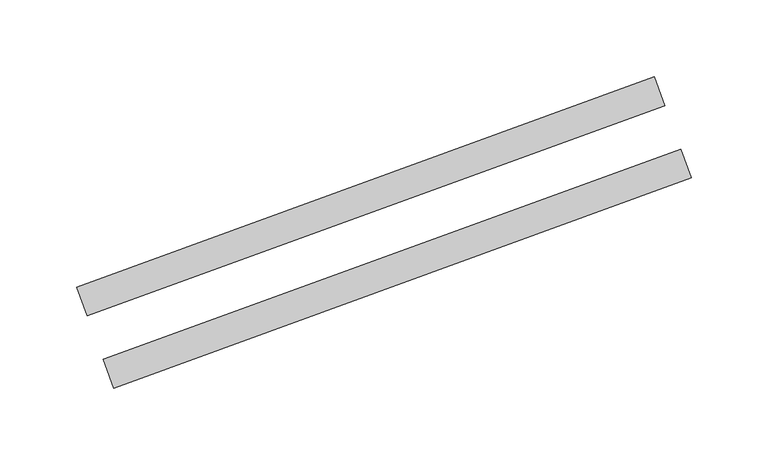
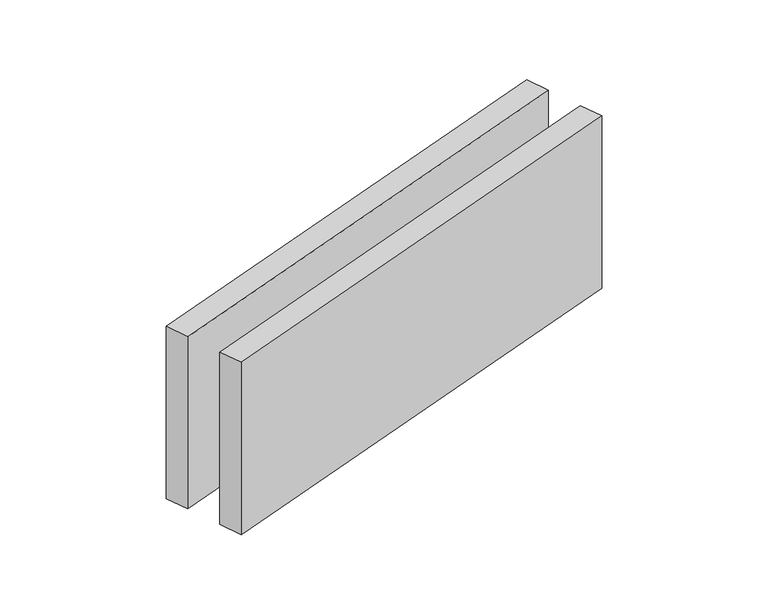
"""IFC4 building model written with IfcOpenShell, lengths in millimetres: proxy geometry."""

from ifc_helpers import new_model, si_unit, origin, origin_with_axes, place, context, project, spatial, polyline, outline, extrude, source, transform, mapped, element, save


def generic_models_dbbdefe7(model_context):
    return source(origin(), model_context, "Body", "SweptSolid", [
        extrude(outline(polyline([(381.0073505, 122.712668), (387.8477533, 103.9188156), (11.970705, -32.8892417), (5.1303021, -14.0953893), (381.0073505, 122.712668)])), origin_with_axes(), (0.0, 0.0, 1.0), 150.0),
        extrude(outline(polyline([(363.9063433, 169.6972991), (370.7467462, 150.9034466), (-5.1303021, 14.0953893), (-11.970705, 32.8892417), (363.9063433, 169.6972991)])), origin_with_axes(), (0.0, 0.0, 1.0), 150.0),
    ])


if __name__ == "__main__":
    model = new_model("IFC4")
    model_context = context("Model", 3, world=origin())
    ifc_project = project(units=[si_unit("LENGTHUNIT", "METRE", prefix="MILLI")], contexts=[model_context])
    site = spatial("IfcSite", under=ifc_project)
    building = spatial("IfcBuilding", under=site)
    placement = place(None, origin())
    generic_models_shape = generic_models_dbbdefe7(model_context)
    element("IfcBuildingElementProxy", 1, Name="Generic Models", at=placement, inside=building, context=model_context, shape_type="MappedRepresentation", body=[
        mapped(generic_models_shape, transform((0.0, 0.0, 0.0), x_axis=(1.0, 0.0, 0.0), y_axis=(0.0, 1.0, 0.0), z_axis=(0.0, 0.0, 1.0))),
    ])
    save(model, "model.ifc")
